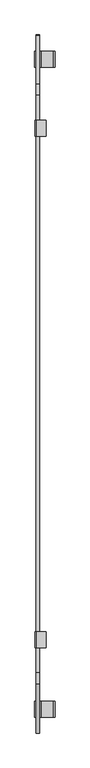
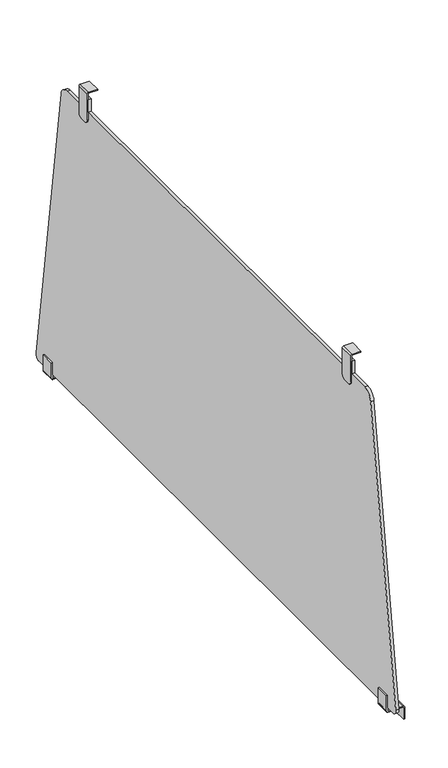
"""IFC4 building model written with IfcOpenShell, lengths in millimetres: furniture geometry."""

from ifc_helpers import new_model, si_unit, point, frame, frame_2d, origin, place, context, project, spatial, polyline, circle_curve, trimmed, segment, composite_curve, outline, extrude, source, transform, mapped, element, save
from ifc_brep_helpers import plane_surface, cylinder_surface, advanced_brep


def furniture_9be2ae05(model_context):
    return source(origin(), model_context, "Body", "SolidModel", [
        extrude(outline(composite_curve([segment(polyline([(303.0087394, 47.0400368), (303.0087394, 45.0400363), (275.0848625, 45.0400363), (275.0848625, 38.6815963)]), True, "CONTINUOUS"), segment(trimmed(circle_curve(frame_2d((275.6617776, 38.6815963)), 0.5769151), [point((275.0848625, 38.6815963))], [point((275.6617776, 38.1046811))], True, "CARTESIAN"), True, "CONTINUOUS"), segment(polyline([(275.6617776, 38.1046811), (308.0087431, 38.1046811), (308.0087431, 35.8405751), (276.1828119, 35.8405751)]), True, "CONTINUOUS"), segment(trimmed(circle_curve(frame_2d((276.1828119, 39.0021159)), 3.1615408), [point((276.1828119, 35.8405751))], [point((273.0212711, 39.0021159))], False, "CARTESIAN"), True, "CONTINUOUS"), segment(polyline([(273.0212711, 39.0021159), (273.0212711, 68.189659)]), True, "CONTINUOUS"), segment(trimmed(circle_curve(frame_2d((271.8703559, 68.189659)), 1.1509152), [point((273.0212711, 68.189659))], [point((271.8703559, 69.3405743))], True, "CARTESIAN"), True, "CONTINUOUS"), segment(polyline([(271.8703559, 69.3405743), (248.0087535, 69.3405743), (248.0087535, 71.3405748), (272.0682758, 71.3405748)]), True, "CONTINUOUS"), segment(trimmed(circle_curve(frame_2d((272.0682758, 68.3239882)), 3.0165866), [point((272.0682758, 71.3405748))], [point((275.0848625, 68.3239882))], False, "CARTESIAN"), True, "CONTINUOUS"), segment(polyline([(275.0848625, 68.3239882), (275.0848625, 47.0400368), (303.0087394, 47.0400368)]), True, "CONTINUOUS")], self_intersect=False)), frame((0.0, 578.227777, 0.0), z_axis=(0.0, 1.0, 0.0), x_axis=(0.0, 0.0, 1.0)), (0.0, 0.0, 1.0), 27.9179543),
        extrude(outline(composite_curve([segment(polyline([(303.0087394, 47.0400368), (303.0087394, 45.0400363), (275.0848625, 45.0400363), (275.0848625, 38.6815963)]), True, "CONTINUOUS"), segment(trimmed(circle_curve(frame_2d((275.6617776, 38.6815963)), 0.5769151), [point((275.0848625, 38.6815963))], [point((275.6617776, 38.1046811))], True, "CARTESIAN"), True, "CONTINUOUS"), segment(polyline([(275.6617776, 38.1046811), (308.0087431, 38.1046811), (308.0087431, 35.8405751), (276.1828119, 35.8405751)]), True, "CONTINUOUS"), segment(trimmed(circle_curve(frame_2d((276.1828119, 39.0021159)), 3.1615408), [point((276.1828119, 35.8405751))], [point((273.0212711, 39.0021159))], False, "CARTESIAN"), True, "CONTINUOUS"), segment(polyline([(273.0212711, 39.0021159), (273.0212711, 68.189659)]), True, "CONTINUOUS"), segment(trimmed(circle_curve(frame_2d((271.8703559, 68.189659)), 1.1509152), [point((273.0212711, 68.189659))], [point((271.8703559, 69.3405743))], True, "CARTESIAN"), True, "CONTINUOUS"), segment(polyline([(271.8703559, 69.3405743), (248.0087535, 69.3405743), (248.0087535, 71.3405748), (272.0682758, 71.3405748)]), True, "CONTINUOUS"), segment(trimmed(circle_curve(frame_2d((272.0682758, 68.3239882)), 3.0165866), [point((272.0682758, 71.3405748))], [point((275.0848625, 68.3239882))], False, "CARTESIAN"), True, "CONTINUOUS"), segment(polyline([(275.0848625, 68.3239882), (275.0848625, 47.0400368), (303.0087394, 47.0400368)]), True, "CONTINUOUS")], self_intersect=False)), frame((0.0, -556.1457314, 0.0), z_axis=(0.0, 1.0, 0.0), x_axis=(0.0, 0.0, 1.0)), (0.0, 0.0, 1.0), 27.9179543),
        extrude(outline(composite_curve([segment(polyline([(-478.5487318, 899.1281975), (-435.0064946, 899.1281975), (-435.0064946, 924.9634665), (-407.0064959, 924.9634665), (-407.0064959, 899.1281975), (457.0064959, 899.1281975), (457.0064959, 924.9634665), (485.0064946, 924.9634665), (485.0064946, 899.1281975), (528.5487318, 899.1281975)]), True, "CONTINUOUS"), segment(trimmed(circle_curve(frame_2d((528.5487318, 878.1281975)), 21.0), [point((528.5487318, 899.1281975))], [point((549.332973, 881.1307491))], False, "CARTESIAN"), True, "CONTINUOUS"), segment(polyline([(549.332973, 881.1307491), (634.0882132, 294.4386384)]), True, "CONTINUOUS"), segment(trimmed(circle_curve(frame_2d((624.1909555, 293.0088519)), 10.0), [point((634.0882132, 294.4386384))], [point((624.1909555, 283.0088519))], False, "CARTESIAN"), True, "CONTINUOUS"), segment(polyline([(624.1909555, 283.0088519), (-574.1909555, 283.0088519)]), True, "CONTINUOUS"), segment(trimmed(circle_curve(frame_2d((-574.1909555, 293.0088519)), 10.0), [point((-574.1909555, 283.0088519))], [point((-584.0882132, 294.4386384))], False, "CARTESIAN"), True, "CONTINUOUS"), segment(polyline([(-584.0882132, 294.4386384), (-499.332973, 881.1307491)]), True, "CONTINUOUS"), segment(trimmed(circle_curve(frame_2d((-478.5487318, 878.1281975)), 21.0), [point((-499.332973, 881.1307491))], [point((-478.5487318, 899.1281975))], False, "CARTESIAN"), True, "CONTINUOUS")], self_intersect=False)), frame((38.1046811, 0.0, 0.0), z_axis=(1.0, 0.0, 0.0), x_axis=(0.0, 1.0, 0.0)), (0.0, 0.0, 1.0), 5.9999994),
        advanced_brep(
        [(56.0070245, -435.0064946, 939.963423), (38.8193651, -435.0064946, 939.963423), (36.0070257, -435.0064946, 937.1510836), (36.0070257, -435.0064946, 883.953015), (38.1046811, -435.0064946, 883.953015), (38.1046811, -435.0064946, 937.9634724), (56.0070245, -435.0064946, 937.9634724), (56.0070245, -407.0064959, 939.963423), (56.0070245, -407.0064959, 937.9634724), (38.1046811, -407.0064959, 937.9634724), (38.1046811, -407.0064959, 883.7388224), (36.0070257, -407.0064959, 883.7388224), (36.0070257, -407.0064959, 937.1510836), (38.8193651, -407.0064959, 939.963423), (36.0070257, -415.7818885, 874.9634297), (36.0070257, -426.0169094, 874.9634297), (38.1046811, -426.0169094, 874.9634297), (38.1046811, -415.7818885, 874.9634297)],
        [
            (0, 1),
            (1, 2, circle_curve(frame((38.8193651, -435.0064946, 937.1510836), z_axis=(0.0, -1.0, 0.0), x_axis=(1.0, 0.0, 0.0)), 2.8123394)),
            (2, 3),
            (3, 4),
            (4, 5),
            (5, 6),
            (6, 0),
            (7, 8),
            (8, 9),
            (9, 10),
            (10, 11),
            (11, 12),
            (12, 13, circle_curve(frame((38.8193651, -407.0064959, 937.1510836), z_axis=(0.0, 1.0, 0.0), x_axis=(1.0, 0.0, 0.0)), 2.8123394)),
            (13, 7),
            (0, 7),
            (13, 1),
            (12, 2),
            (11, 14, circle_curve(frame((36.0070257, -415.7818885, 883.7388224), z_axis=(-1.0, 0.0, 0.0), x_axis=(0.0, 1.0, 0.0)), 8.7753927)),
            (14, 15),
            (15, 3, circle_curve(frame((36.0070257, -426.0169094, 883.953015), z_axis=(-1.0, 0.0, 0.0), x_axis=(0.0, 1.0, 0.0)), 8.9895852)),
            (4, 16, circle_curve(frame((38.1046811, -426.0169094, 883.953015), z_axis=(1.0, 0.0, 0.0), x_axis=(0.0, 1.0, 0.0)), 8.9895852)),
            (16, 17),
            (17, 10, circle_curve(frame((38.1046811, -415.7818885, 883.7388224), z_axis=(1.0, 0.0, 0.0), x_axis=(0.0, 1.0, 0.0)), 8.7753927)),
            (9, 5),
            (8, 6),
            (15, 16),
            (14, 17),
        ],
        [
            plane_surface(frame((56.0070245, -435.0064946, 937.9634724), z_axis=(0.0, -1.0, 0.0), x_axis=(0.0, 0.0, -1.0))),
            plane_surface(frame((56.0070245, -407.0064959, 937.9634724), z_axis=(0.0, 1.0, 0.0), x_axis=(0.0, 0.0, 1.0))),
            plane_surface(frame((38.8193651, -435.0064946, 939.963423), z_axis=(0.0, 0.0, 1.0), x_axis=(0.0, 1.0, 0.0))),
            cylinder_surface(frame((38.8193651, -407.0064959, 937.1510836), z_axis=(0.0, -1.0, 0.0), x_axis=(1.0, 0.0, 0.0)), 2.8123394),
            plane_surface(frame((36.0070257, -435.0064946, 885.9634487), z_axis=(-1.0, 0.0, 0.0), x_axis=(0.0, 1.0, 0.0))),
            plane_surface(frame((38.1046811, -435.0064946, 937.9634724), z_axis=(1.0, 0.0, 0.0), x_axis=(0.0, 1.0, 0.0))),
            plane_surface(frame((56.0070245, -435.0064946, 937.9634724), z_axis=(0.0, 0.0, -1.0), x_axis=(0.0, 1.0, 0.0))),
            plane_surface(frame((56.0070245, -435.0064946, 939.963423), z_axis=(1.0, 0.0, 0.0), x_axis=(0.0, 1.0, 0.0))),
            cylinder_surface(frame((36.0070257, -426.0169094, 883.953015), z_axis=(1.0, 0.0, 0.0), x_axis=(0.0, 1.0, 0.0)), 8.9895852),
            plane_surface(frame((38.1046811, -415.7818885, 874.9634297), z_axis=(0.0, 0.0, -1.0), x_axis=(-1.0, 0.0, 0.0))),
            cylinder_surface(frame((36.0070257, -415.7818885, 883.7388224), z_axis=(1.0, 0.0, 0.0), x_axis=(0.0, 1.0, 0.0)), 8.7753927),
        ],
        [
            (0, [[1, 2, 3, 4, 5, 6, 7]]),
            (1, [[8, 9, 10, 11, 12, 13, 14]]),
            (2, [[15, -14, 16, -1]]),
            (3, [[-16, -13, 17, -2]]),
            (4, [[-17, -12, 18, 19, 20, -3]]),
            (5, [[21, 22, 23, -10, 24, -5]]),
            (6, [[-24, -9, 25, -6]]),
            (7, [[-25, -8, -15, -7]]),
            (8, [[-4, -20, 26, -21]]),
            (9, [[-26, -19, 27, -22]]),
            (10, [[-27, -18, -11, -23]]),
        ],
    ),
        advanced_brep(
        [(56.0070245, 485.0064946, 939.963423), (56.0070245, 485.0064946, 937.9634724), (38.1046811, 485.0064946, 937.9634724), (38.1046811, 485.0064946, 883.953015), (36.0070257, 485.0064946, 883.953015), (36.0070257, 485.0064946, 937.1510836), (38.8193651, 485.0064946, 939.963423), (56.0070245, 457.0064959, 939.963423), (38.8193651, 457.0064959, 939.963423), (36.0070257, 457.0064959, 937.1510836), (36.0070257, 457.0064959, 883.7388224), (38.1046811, 457.0064959, 883.7388224), (38.1046811, 457.0064959, 937.9634724), (56.0070245, 457.0064959, 937.9634724), (36.0070257, 476.0169094, 874.9634297), (36.0070257, 465.7818885, 874.9634297), (38.1046811, 465.7818885, 874.9634297), (38.1046811, 476.0169094, 874.9634297)],
        [
            (0, 1),
            (1, 2),
            (2, 3),
            (3, 4),
            (4, 5),
            (5, 6, circle_curve(frame((38.8193651, 485.0064946, 937.1510836), z_axis=(0.0, 1.0, 0.0), x_axis=(1.0, 0.0, 0.0)), 2.8123394)),
            (6, 0),
            (7, 8),
            (8, 9, circle_curve(frame((38.8193651, 457.0064959, 937.1510836), z_axis=(0.0, -1.0, 0.0), x_axis=(1.0, 0.0, 0.0)), 2.8123394)),
            (9, 10),
            (10, 11),
            (11, 12),
            (12, 13),
            (13, 7),
            (6, 8),
            (7, 0),
            (5, 9),
            (4, 14, circle_curve(frame((36.0070257, 476.0169094, 883.953015), z_axis=(-1.0, 0.0, 0.0), x_axis=(0.0, -1.0, 0.0)), 8.9895852)),
            (14, 15),
            (15, 10, circle_curve(frame((36.0070257, 465.7818885, 883.7388224), z_axis=(-1.0, 0.0, 0.0), x_axis=(0.0, -1.0, 0.0)), 8.7753927)),
            (2, 12),
            (11, 16, circle_curve(frame((38.1046811, 465.7818885, 883.7388224), z_axis=(1.0, 0.0, 0.0), x_axis=(0.0, -1.0, 0.0)), 8.7753927)),
            (16, 17),
            (17, 3, circle_curve(frame((38.1046811, 476.0169094, 883.953015), z_axis=(1.0, 0.0, 0.0), x_axis=(0.0, -1.0, 0.0)), 8.9895852)),
            (1, 13),
            (17, 14),
            (16, 15),
        ],
        [
            plane_surface(frame((56.0070245, 485.0064946, 939.963423), z_axis=(0.0, 1.0, 0.0), x_axis=(-1.0, 0.0, 0.0))),
            plane_surface(frame((56.0070245, 457.0064959, 939.963423), z_axis=(0.0, -1.0, 0.0), x_axis=(1.0, 0.0, 0.0))),
            plane_surface(frame((56.0070245, 485.0064946, 939.963423), z_axis=(0.0, 0.0, 1.0), x_axis=(0.0, -1.0, 0.0))),
            cylinder_surface(frame((38.8193651, 457.0064959, 937.1510836), z_axis=(0.0, 1.0, 0.0), x_axis=(1.0, 0.0, 0.0)), 2.8123394),
            plane_surface(frame((36.0070257, 485.0064946, 937.1510836), z_axis=(-1.0, 0.0, 0.0), x_axis=(0.0, -1.0, 0.0))),
            plane_surface(frame((38.1046811, 485.0064946, 885.9634487), z_axis=(1.0, 0.0, 0.0), x_axis=(0.0, -1.0, 0.0))),
            plane_surface(frame((38.1046811, 485.0064946, 937.9634724), z_axis=(0.0, 0.0, -1.0), x_axis=(0.0, -1.0, 0.0))),
            plane_surface(frame((56.0070245, 485.0064946, 937.9634724), z_axis=(1.0, 0.0, 0.0), x_axis=(0.0, -1.0, 0.0))),
            cylinder_surface(frame((36.0070257, 476.0169094, 883.953015), z_axis=(1.0, 0.0, 0.0), x_axis=(0.0, -1.0, 0.0)), 8.9895852),
            plane_surface(frame((38.1046811, 476.0169094, 874.9634297), z_axis=(0.0, 0.0, -1.0), x_axis=(-1.0, 0.0, 0.0))),
            cylinder_surface(frame((36.0070257, 465.7818885, 883.7388224), z_axis=(1.0, 0.0, 0.0), x_axis=(0.0, -1.0, 0.0)), 8.7753927),
        ],
        [
            (0, [[1, 2, 3, 4, 5, 6, 7]]),
            (1, [[8, 9, 10, 11, 12, 13, 14]]),
            (2, [[15, -8, 16, -7]]),
            (3, [[17, -9, -15, -6]]),
            (4, [[18, 19, 20, -10, -17, -5]]),
            (5, [[21, -12, 22, 23, 24, -3]]),
            (6, [[25, -13, -21, -2]]),
            (7, [[-16, -14, -25, -1]]),
            (8, [[26, -18, -4, -24]]),
            (9, [[27, -19, -26, -23]]),
            (10, [[-11, -20, -27, -22]]),
        ],
    ),
    ])


if __name__ == "__main__":
    model = new_model("IFC4")
    model_context = context("Model", 3, world=origin())
    ifc_project = project(units=[si_unit("LENGTHUNIT", "METRE", prefix="MILLI")], contexts=[model_context])
    site = spatial("IfcSite", under=ifc_project)
    building = spatial("IfcBuilding", under=site)
    placement = place(None, origin())
    furniture_shape = furniture_9be2ae05(model_context)
    element("IfcFurniture", 1, at=placement, inside=building, context=model_context, shape_type="MappedRepresentation", body=[
        mapped(furniture_shape, transform((0.0, 0.0, 0.0), x_axis=(1.0, 0.0, 0.0), y_axis=(0.0, 1.0, 0.0), z_axis=(0.0, 0.0, 1.0))),
    ])
    save(model, "model.ifc")
